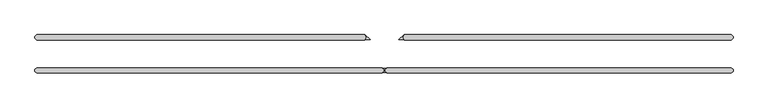
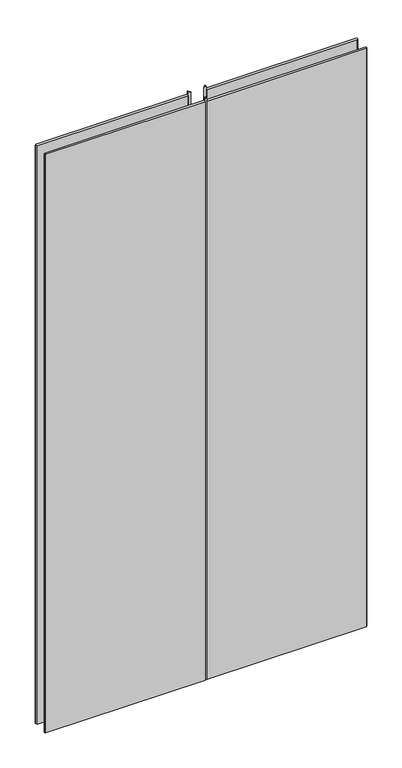
"""IFC4 building model written with IfcOpenShell, lengths in millimetres: plate geometry."""

from ifc_helpers import new_model, si_unit, frame, origin, place, context, project, spatial, polyline, outline, extrude, source, transform, mapped, element, save


def plate_d0c8bc09(model_context):
    return source(origin(), model_context, "Body", "SweptSolid", [
        extrude(outline(polyline([(-32.078782, 28.575), (-32.078782, 31.75), (-34.460032, 34.13125), (-33.898766, 34.692516), (-25.4, 26.19375), (-34.460032, 26.19375), (-32.078782, 28.575)])), frame((0.0, 0.0, 6.35), z_axis=(0.0, 0.0, 1.0), x_axis=(1.0, 0.0, 0.0)), (0.0, 0.0, 1.0), 2422.4289267),
        extrude(outline(polyline([(-631.03125, 25.4), (-634.20625, 28.575), (-634.20625, 31.75), (-631.03125, 34.925), (-35.253782, 34.925), (-32.078782, 31.75), (-32.078782, 28.575), (-35.253782, 25.4), (-631.03125, 25.4)])), frame((0.0, 0.0, 6.35), z_axis=(0.0, 0.0, 1.0), x_axis=(1.0, 0.0, 0.0)), (0.0, 0.0, 1.0), 2409.7289267),
        extrude(outline(polyline([(33.666282, 28.575), (36.047532, 26.19375), (26.9875, 26.19375), (35.486266, 34.692516), (36.047532, 34.13125), (33.666282, 31.75), (33.666282, 28.575)])), frame((0.0, 0.0, 6.35), z_axis=(0.0, 0.0, 1.0), x_axis=(1.0, 0.0, 0.0)), (0.0, 0.0, 1.0), 2422.4289267),
        extrude(outline(polyline([(-631.03125, -34.925), (-634.20625, -31.75), (-634.20625, -28.575), (-631.03125, -25.4), (-3.175, -25.4), (0.0, -28.575), (0.0, -31.75), (-3.175, -34.925), (-631.03125, -34.925)])), frame((0.0, 0.0, 6.35), z_axis=(0.0, 0.0, 1.0), x_axis=(1.0, 0.0, 0.0)), (0.0, 0.0, 1.0), 2409.7289267),
        extrude(outline(polyline([(-2.38125, -26.19375), (3.96875, -26.19375), (1.5875, -28.575), (1.5875, -31.75), (3.96875, -34.13125), (-2.38125, -34.13125), (0.0, -31.75), (0.0, -28.575), (-2.38125, -26.19375)])), frame((0.0, 0.0, 6.35), z_axis=(0.0, 0.0, 1.0), x_axis=(1.0, 0.0, 0.0)), (0.0, 0.0, 1.0), 2422.4289267),
        extrude(outline(polyline([(631.03125, 25.4), (36.841282, 25.4), (33.666282, 28.575), (33.666282, 31.75), (36.841282, 34.925), (631.03125, 34.925), (634.20625, 31.75), (634.20625, 28.575), (631.03125, 25.4)])), frame((0.0, 0.0, 6.35), z_axis=(0.0, 0.0, 1.0), x_axis=(1.0, 0.0, 0.0)), (0.0, 0.0, 1.0), 2409.7289267),
        extrude(outline(polyline([(631.03125, -34.925), (4.7625, -34.925), (1.5875, -31.75), (1.5875, -28.575), (4.7625, -25.4), (631.03125, -25.4), (634.20625, -28.575), (634.20625, -31.75), (631.03125, -34.925)])), frame((0.0, 0.0, 6.35), z_axis=(0.0, 0.0, 1.0), x_axis=(1.0, 0.0, 0.0)), (0.0, 0.0, 1.0), 2409.7289267),
    ])


if __name__ == "__main__":
    model = new_model("IFC4")
    model_context = context("Model", 3, world=origin())
    ifc_project = project(units=[si_unit("LENGTHUNIT", "METRE", prefix="MILLI")], contexts=[model_context])
    site = spatial("IfcSite", under=ifc_project)
    building = spatial("IfcBuilding", under=site)
    placement = place(None, origin())
    plate_shape = plate_d0c8bc09(model_context)
    element("IfcPlate", 1, at=placement, inside=building, context=model_context, shape_type="MappedRepresentation", body=[
        mapped(plate_shape, transform((0.0, 0.0, 0.0), x_axis=(1.0, 0.0, 0.0), y_axis=(0.0, 1.0, 0.0), z_axis=(0.0, 0.0, 1.0))),
    ])
    save(model, "model.ifc")
